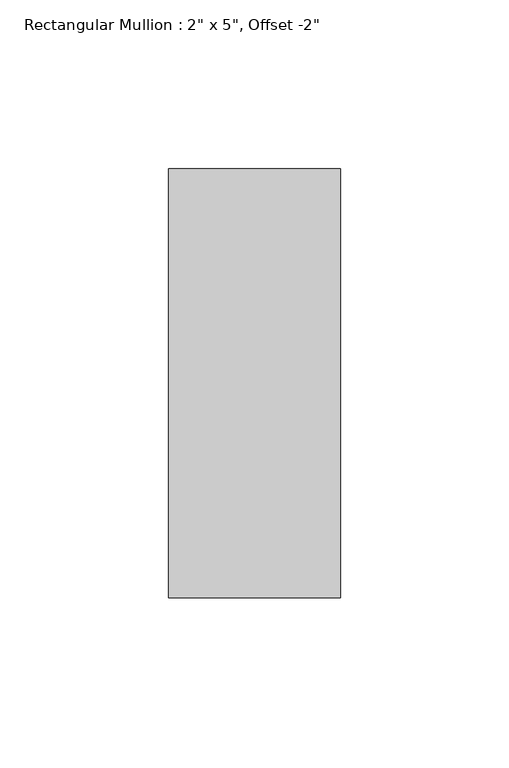
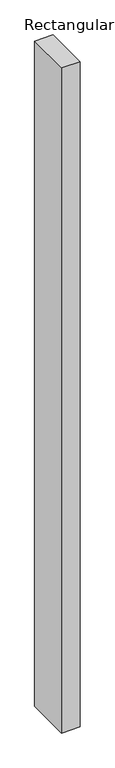
"""IFC4 building model written with IfcOpenShell, lengths in millimetres: member geometry."""

from ifc_helpers import new_model, si_unit, frame, origin, place, context, project, spatial, polyline, outline, extrude, source, transform, mapped, element, save


def member_5af04b96(model_context):
    return source(origin(), model_context, "Body", "SweptSolid", [
        extrude(outline(polyline([(0.0, 114.3), (0.0, -12.7), (-50.8, -12.7), (-50.8, 114.3), (0.0, 114.3)])), frame((0.0, 0.0, -1926.3129826), z_axis=(0.0, 0.0, 1.0), x_axis=(1.0, 0.0, 0.0)), (0.0, 0.0, 1.0), 1926.3129826),
    ])


if __name__ == "__main__":
    model = new_model("IFC4")
    model_context = context("Model", 3, world=origin())
    ifc_project = project(units=[si_unit("LENGTHUNIT", "METRE", prefix="MILLI")], contexts=[model_context])
    site = spatial("IfcSite", under=ifc_project)
    building = spatial("IfcBuilding", under=site)
    placement = place(None, origin())
    member_shape = member_5af04b96(model_context)
    element("IfcMember", 1, ObjectType="Rectangular Mullion : 2\" x 5\", Offset -2\"", at=placement, inside=building, context=model_context, shape_type="MappedRepresentation", body=[
        mapped(member_shape, transform((0.0, 0.0, 0.0), x_axis=(1.0, 0.0, 0.0), y_axis=(0.0, 1.0, 0.0), z_axis=(0.0, 0.0, 1.0))),
    ])
    save(model, "model.ifc")
